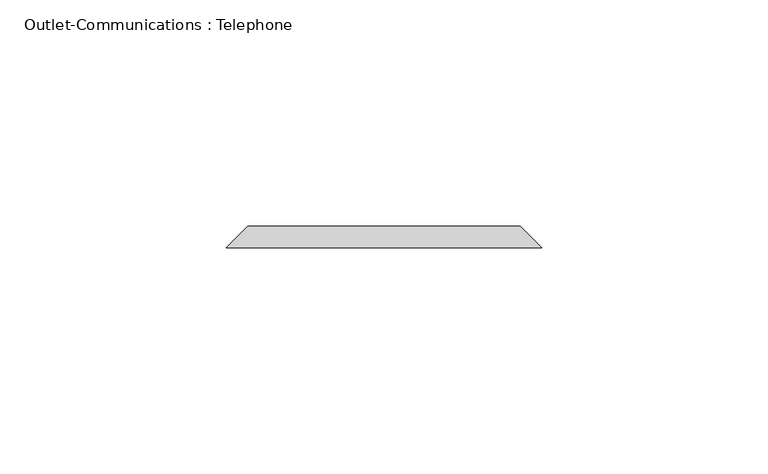
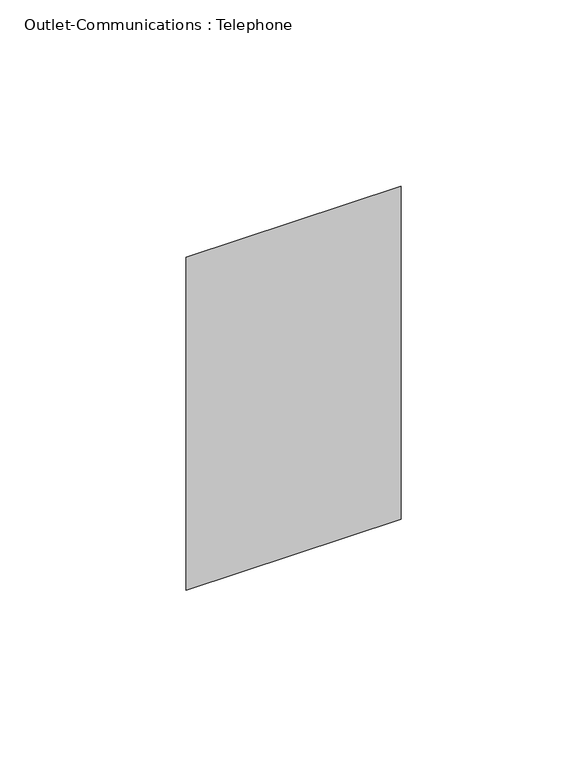
"""IFC4 building model written with IfcOpenShell, lengths in millimetres: proxy geometry, Outlet-Communications : Telephone."""

import ifcopenshell
import ifcopenshell.guid

model = None  # the IFC model being written
_history = None  # IfcOwnerHistory: only IFC2X3 demands one
_inside = {}  # id of a spatial element -> (the spatial element, [elements in it])
_under = {}  # id of a project, library or spatial element -> (it, [spatial elements below it])
_declared = {}  # id of a project -> (the project, [libraries it declares])
_typed = {}  # id of a type object -> (the type object, [elements of that type])
_made_of = {}  # id of a material, layer set ... -> (it, [elements and type objects made of it])


def new_model(schema):
    """Start an empty IFC model of exactly this schema.

    Asked for "IFC4X3", IfcOpenShell would pick the latest addendum, in which some entities
    have other attributes; the version numbers below select the first issue.
    IFC2X3 requires an IfcOwnerHistory on every rooted entity: one is made here for all.
    """
    global model, _history
    if schema == "IFC4X3":
        model = ifcopenshell.file(schema_version=(4, 3, 0, 0))
    else:
        model = ifcopenshell.file(schema=schema)
    _inside.clear()
    _under.clear()
    _declared.clear()
    _typed.clear()
    _made_of.clear()
    _history = None
    if model.schema == "IFC2X3":
        org = make("IfcOrganization", Name="unknown")
        user = make(
            "IfcPersonAndOrganization",
            ThePerson=make("IfcPerson", FamilyName="unknown"),
            TheOrganization=org,
        )
        app = make(
            "IfcApplication",
            ApplicationDeveloper=org,
            Version="unknown",
            ApplicationFullName="unknown",
            ApplicationIdentifier="unknown",
        )
        _history = make(
            "IfcOwnerHistory",
            OwningUser=user,
            OwningApplication=app,
            ChangeAction="ADDED",
            CreationDate=0,
        )
    return model


def make(cls, **values):
    """One entity of the class cls with the attributes given. An attribute that is None is left unset."""
    return model.create_entity(
        cls, **{name: value for name, value in values.items() if value is not None}
    )


def rooted(cls, **values):
    """An entity with a GlobalId (a new one), such as an element, a storey or a relation."""
    return make(cls, GlobalId=ifcopenshell.guid.new(), OwnerHistory=_history, **values)


def si_unit(unit_type, name, prefix=None):
    """IfcSIUnit, for example si_unit("LENGTHUNIT", "METRE", prefix="MILLI")."""
    return make("IfcSIUnit", UnitType=unit_type, Prefix=prefix, Name=name)


def assignment(units):
    """IfcUnitAssignment: the units of a project."""
    return None if units is None else make("IfcUnitAssignment", Units=units)


def point(xyz):
    """IfcCartesianPoint."""
    return None if xyz is None else make("IfcCartesianPoint", Coordinates=xyz)


def direction(xyz):
    """IfcDirection."""
    return None if xyz is None else make("IfcDirection", DirectionRatios=xyz)


def frame(location, z_axis=None, x_axis=None):
    """IfcAxis2Placement3D, a coordinate frame: its origin and axes. An axis left out is left unset."""
    return make(
        "IfcAxis2Placement3D",
        Location=point(location),
        Axis=direction(z_axis),
        RefDirection=direction(x_axis),
    )


def origin():
    """The frame at (0, 0, 0) with its axes left unset."""
    return frame((0.0, 0.0, 0.0))


def place(relative_to, where):
    """IfcLocalPlacement: puts the frame where relative to a parent placement (None: the world)."""
    return make(
        "IfcLocalPlacement", PlacementRelTo=relative_to, RelativePlacement=where
    )


def context(
    kind, dimensions, precision=None, world=None, true_north=None, identifier=None
):
    """IfcGeometricRepresentationContext, for example the 3D "Model" context."""
    return make(
        "IfcGeometricRepresentationContext",
        ContextIdentifier=identifier,
        ContextType=kind,
        CoordinateSpaceDimension=dimensions,
        Precision=precision,
        WorldCoordinateSystem=world,
        TrueNorth=true_north,
    )


def project(units=None, contexts=None):
    """IfcProject with its units and contexts."""
    return rooted(
        "IfcProject",
        Name="project",
        RepresentationContexts=contexts,
        UnitsInContext=assignment(units),
    )


def spatial(cls, under=None, at=None, **own):
    """A site, building, storey or space (cls), placed at a placement, below another one or the project."""
    s = rooted(cls, ObjectPlacement=at, **own)
    if under is not None:
        _under.setdefault(under.id(), (under, []))[1].append(s)
    return s


def faces_of(points, faces, orient=None, outer=None):
    """IfcFace entities. A face is a list of loops; a loop is a list of indices into points, from 0.

    orient and outer hold one flag for each loop. By default every Orientation is true, the
    first loop of a face is its IfcFaceOuterBound and the others are IfcFaceBound.
    """
    made = []
    for i, loops in enumerate(faces):
        bounds = []
        for j, loop in enumerate(loops):
            is_outer = j == 0 if outer is None else outer[i][j]
            bounds.append(
                make(
                    "IfcFaceOuterBound" if is_outer else "IfcFaceBound",
                    Bound=make("IfcPolyLoop", Polygon=[points[k] for k in loop]),
                    Orientation=True if orient is None else orient[i][j],
                )
            )
        made.append(make("IfcFace", Bounds=bounds))
    return made


def faceted_brep(points, faces, orient=None, outer=None, voids=None):
    """IfcFacetedBrep: a solid bounded by flat faces; with voids (closed shells), ...WithVoids."""
    shared = [point(p) for p in points]
    hull = make("IfcClosedShell", CfsFaces=faces_of(shared, faces, orient, outer))
    if voids is None:
        return make("IfcFacetedBrep", Outer=hull)
    return make(
        "IfcFacetedBrepWithVoids",
        Outer=hull,
        Voids=[
            make(cls, CfsFaces=faces_of(shared, fs, o, b)) for cls, fs, o, b in voids
        ],
    )


def shape(context_of_items, identifier, shape_type, items):
    """IfcShapeRepresentation: the items that make up one representation, for example the "Body"."""
    return make(
        "IfcShapeRepresentation",
        ContextOfItems=context_of_items,
        RepresentationIdentifier=identifier,
        RepresentationType=shape_type,
        Items=items,
    )


def source(mapping_origin, context_of_items, identifier, shape_type, items):
    """IfcRepresentationMap: a shape defined once, which mapped items show again and again."""
    return make(
        "IfcRepresentationMap",
        MappingOrigin=mapping_origin,
        MappedRepresentation=shape(context_of_items, identifier, shape_type, items),
    )


def transform(
    local_origin,
    x_axis=None,
    y_axis=None,
    z_axis=None,
    scale=None,
    scale2=None,
    scale3=None,
    uniform=True,
):
    """IfcCartesianTransformationOperator3D, or its non-uniform kind. x_axis, y_axis, z_axis: its Axis1, 2, 3."""
    if uniform:
        return make(
            "IfcCartesianTransformationOperator3D",
            Axis1=direction(x_axis),
            Axis2=direction(y_axis),
            LocalOrigin=point(local_origin),
            Scale=scale,
            Axis3=direction(z_axis),
        )
    return make(
        "IfcCartesianTransformationOperator3DnonUniform",
        Axis1=direction(x_axis),
        Axis2=direction(y_axis),
        LocalOrigin=point(local_origin),
        Scale=scale,
        Axis3=direction(z_axis),
        Scale2=scale2,
        Scale3=scale3,
    )


def mapped(mapping_source, mapping_target):
    """IfcMappedItem: shows the shape of a source again, moved by a transform."""
    return make(
        "IfcMappedItem", MappingSource=mapping_source, MappingTarget=mapping_target
    )


def made_of(thing, what):
    """Note that an element or type object is made of a material, layer set ...; save() writes the relation."""
    if what is not None:
        _made_of.setdefault(what.id(), (what, []))[1].append(thing)
    return thing


def element(
    cls,
    number,
    at=None,
    inside=None,
    cuts=None,
    type_object=None,
    material=None,
    context=None,
    identifier="Body",
    shape_type=None,
    held_by="IfcProductDefinitionShape",
    body=None,
    shapes=None,
    **own,
):
    """One element of the class cls, such as IfcWall. Its Tag is "e" and its number.

    at: its placement. inside: the storey or other place that contains it. cuts: it is an
    opening in that element (IfcRelVoidsElement). A single representation is given by context,
    identifier, shape_type and body (its items); several are given by shapes. held_by: the class
    of the entity that holds the representations. save() writes the other relations.
    """
    e = rooted(cls, Tag="e%d" % number, ObjectPlacement=at, **own)
    if body is not None:
        shapes = [shape(context, identifier, shape_type, body)]
    if shapes is not None:
        e.Representation = make(held_by, Representations=shapes)
    if inside is not None:
        _inside.setdefault(inside.id(), (inside, []))[1].append(e)
    if cuts is not None:
        rooted(
            "IfcRelVoidsElement", RelatingBuildingElement=cuts, RelatedOpeningElement=e
        )
    if type_object is not None:
        _typed.setdefault(type_object.id(), (type_object, []))[1].append(e)
    return made_of(e, material)


def aggregate(whole, parts):
    """IfcRelAggregates: a whole, such as a stair, and the parts it consists of."""
    return rooted("IfcRelAggregates", RelatingObject=whole, RelatedObjects=parts)


def save(model, path):
    """Write the relations noted so far, then the file.

    IfcRelAggregates (storeys below a building ...), IfcRelContainedInSpatialStructure (elements
    in a storey), IfcRelDefinesByType, IfcRelAssociatesMaterial and IfcRelDeclares: one each for
    every whole, place, type object, material and project.
    """
    for whole, parts in _under.values():
        aggregate(whole, parts)
    for where, things in _inside.values():
        rooted(
            "IfcRelContainedInSpatialStructure",
            RelatedElements=things,
            RelatingStructure=where,
        )
    for kind, things in _typed.values():
        rooted("IfcRelDefinesByType", RelatedObjects=things, RelatingType=kind)
    for what, things in _made_of.values():
        rooted("IfcRelAssociatesMaterial", RelatedObjects=things, RelatingMaterial=what)
    for by, libraries in _declared.values():
        rooted("IfcRelDeclares", RelatingContext=by, RelatedDefinitions=libraries)
    model.write(path)


def outlet_communications_telephone_9bd5be69(model_context):
    return source(origin(), model_context, "Body", "Brep", [
        faceted_brep([(-30.1625, 65.0875, 357.1875), (30.1625, 65.0875, 357.1875), (30.1625, 65.0875, 252.4125), (-30.1625, 65.0875, 252.4125), (-34.925, 60.325, 361.95), (-34.925, 60.325, 247.65), (34.925, 60.325, 247.65), (34.925, 60.325, 361.95)], [[[0, 1, 2, 3]], [[4, 5, 6, 7]], [[4, 7, 1, 0]], [[7, 6, 2, 1]], [[6, 5, 3, 2]], [[5, 4, 0, 3]]]),
    ])


if __name__ == "__main__":
    model = new_model("IFC4")
    model_context = context("Model", 3, world=origin())
    ifc_project = project(units=[si_unit("LENGTHUNIT", "METRE", prefix="MILLI")], contexts=[model_context])
    site = spatial("IfcSite", under=ifc_project)
    building = spatial("IfcBuilding", under=site)
    placement = place(None, origin())
    outlet_communications_telephone_shape = outlet_communications_telephone_9bd5be69(model_context)
    element("IfcBuildingElementProxy", 1, Name="Outlet-Communications : Telephone", ObjectType="Outlet-Communications : Telephone", at=placement, inside=building, context=model_context, shape_type="MappedRepresentation", body=[
        mapped(outlet_communications_telephone_shape, transform((0.0, 0.0, 0.0), x_axis=(1.0, 0.0, 0.0), y_axis=(0.0, 1.0, 0.0), z_axis=(0.0, 0.0, 1.0))),
    ])
    save(model, "model.ifc")
